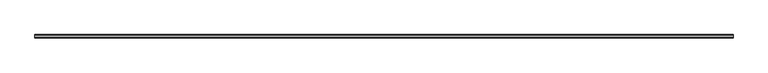
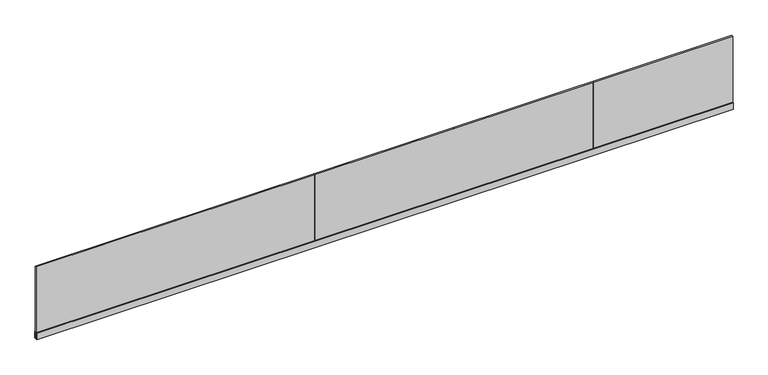
"""IFC4 building model written with IfcOpenShell, lengths in millimetres: railing geometry."""

from ifc_helpers import new_model, si_unit, frame, origin, place, context, project, spatial, polyline, outline, extrude, source, transform, mapped, element, save


def railing_9079447d(model_context):
    return source(origin(), model_context, "Body", "SweptSolid", [
        extrude(outline(polyline([(-3061.5739061, 1879.8824508), (-3061.5739061, 1862.3824508), (-13061.5739061, 1862.3824508), (-13061.5739061, 1879.8824508), (-3061.5739061, 1879.8824508)])), frame((0.0, 0.0, -92.0), z_axis=(0.0, 0.0, 1.0), x_axis=(1.0, 0.0, 0.0)), (0.0, 0.0, 1.0), 1092.0),
        extrude(outline(polyline([(1894.0824508, -100.0), (1871.1324508, -100.0), (1848.1824508, -100.0), (1848.1824508, 0.0), (1860.3824508, 0.0), (1860.3824508, -95.0), (1871.1324508, -95.0), (1881.8824508, -95.0), (1881.8824508, 0.0), (1894.0824508, 0.0), (1894.0824508, -100.0)])), frame((-13061.5739061, 0.0, 0.0), z_axis=(1.0, 0.0, 0.0), x_axis=(0.0, 1.0, 0.0)), (0.0, 0.0, 1.0), 10000.0),
        extrude(outline(polyline([(-11063.2405711, 1862.3824508), (-11063.2405711, 1879.8824508), (-11059.9072411, 1879.8824508), (-11059.9072411, 1862.3824508), (-11063.2405711, 1862.3824508)])), frame((0.0, 0.0, -93.0), z_axis=(0.0, 0.0, 1.0), x_axis=(1.0, 0.0, 0.0)), (0.0, 0.0, 1.0), 1092.0),
        extrude(outline(polyline([(-9063.2405711, 1862.3824508), (-9063.2405711, 1879.8824508), (-9059.9072411, 1879.8824508), (-9059.9072411, 1862.3824508), (-9063.2405711, 1862.3824508)])), frame((0.0, 0.0, -93.0), z_axis=(0.0, 0.0, 1.0), x_axis=(1.0, 0.0, 0.0)), (0.0, 0.0, 1.0), 1092.0),
        extrude(outline(polyline([(-7063.2405711, 1862.3824508), (-7063.2405711, 1879.8824508), (-7059.9072411, 1879.8824508), (-7059.9072411, 1862.3824508), (-7063.2405711, 1862.3824508)])), frame((0.0, 0.0, -93.0), z_axis=(0.0, 0.0, 1.0), x_axis=(1.0, 0.0, 0.0)), (0.0, 0.0, 1.0), 1092.0),
        extrude(outline(polyline([(-5063.2405711, 1862.3824508), (-5063.2405711, 1879.8824508), (-5059.9072411, 1879.8824508), (-5059.9072411, 1862.3824508), (-5063.2405711, 1862.3824508)])), frame((0.0, 0.0, -93.0), z_axis=(0.0, 0.0, 1.0), x_axis=(1.0, 0.0, 0.0)), (0.0, 0.0, 1.0), 1092.0),
    ])


if __name__ == "__main__":
    model = new_model("IFC4")
    model_context = context("Model", 3, world=origin())
    ifc_project = project(units=[si_unit("LENGTHUNIT", "METRE", prefix="MILLI")], contexts=[model_context])
    site = spatial("IfcSite", under=ifc_project)
    building = spatial("IfcBuilding", under=site)
    placement = place(None, origin())
    railing_shape = railing_9079447d(model_context)
    element("IfcRailing", 1, at=placement, inside=building, context=model_context, shape_type="MappedRepresentation", body=[
        mapped(railing_shape, transform((0.0, 0.0, 0.0), x_axis=(1.0, 0.0, 0.0), y_axis=(0.0, 1.0, 0.0), z_axis=(0.0, 0.0, 1.0))),
    ])
    save(model, "model.ifc")
